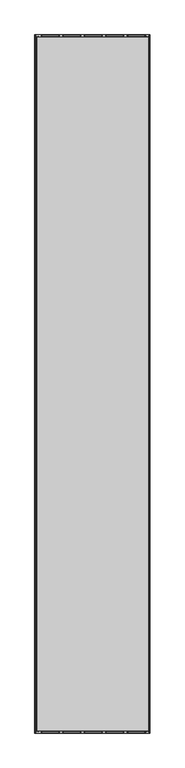
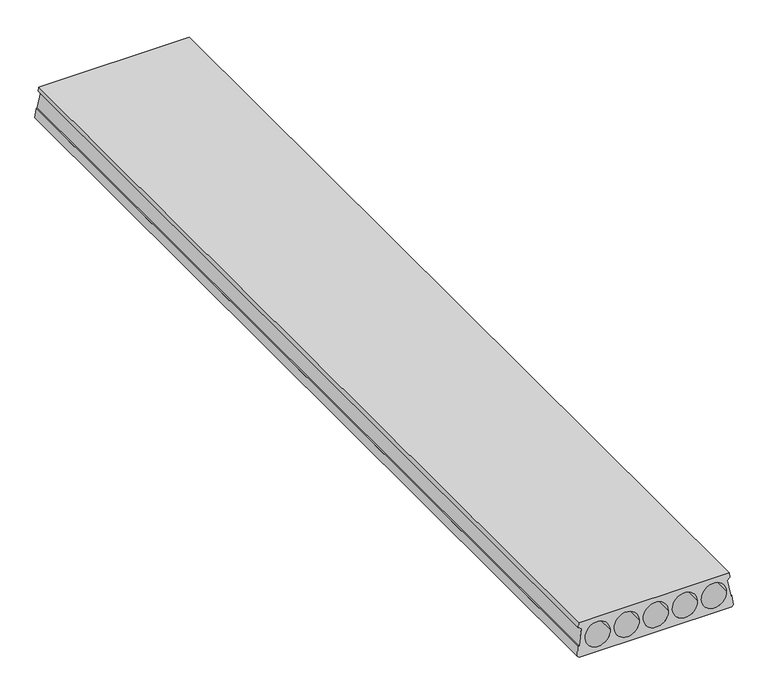
"""IFC4 building model written with IfcOpenShell, lengths in millimetres: beam geometry."""

from ifc_helpers import new_model, si_unit, frame, origin, place, context, project, spatial, polyline, ellipse_curve, source, transform, mapped, element, save
from ifc_brep_helpers import plane_surface, revolved_surface, advanced_brep


def beam_c2dc10d6(model_context):
    return source(origin(), model_context, "Body", "AdvancedBrep", [
        advanced_brep(
        [(10.0, 5980.0, 0.0), (980.0, 5980.0, 0.0), (980.0, 0.0, 0.0), (10.0, 0.0, 0.0), (974.7696772, 15.0, 220.0), (974.7696772, 5965.0, 220.0), (15.0, 5965.0, 220.0), (15.0, 15.0, 220.0), (12.8871596, 12.9831978, 190.4202344), (12.8871596, 5967.0168022, 190.4202344), (15.8795357, 5967.0313755, 190.2064933), (15.8795357, 12.9686245, 190.2064933), (29.9864516, 5967.9203443, 177.1682831), (29.9864516, 12.0796557, 177.1682831), (12.6021714, 5974.9446558, 74.1450488), (12.6021714, 5.0553442, 74.1450488), (7.3298897, 5975.1924012, 70.5114493), (7.3298897, 4.8075988, 70.5114493), (4.3580656, 5975.1582101, 71.0129189), (4.3580656, 4.8417899, 71.0129189), (0.0, 5979.3181818, 10.0), (0.0, 0.6818182, 10.0), (990.0, 5979.3181818, 10.0), (990.0, 0.6818182, 10.0), (985.6391914, 5975.1555917, 71.051321), (985.6391914, 4.8444083, 71.051321), (982.4401418, 5975.1923971, 70.5115091), (982.4401418, 4.8076029, 70.5115091), (977.167566, 5974.9446379, 74.1453113), (977.167566, 5.0553621, 74.1453113), (959.9865416, 5967.9203386, 177.1683675), (959.9865416, 12.0796614, 177.1683675), (973.8901415, 5967.0313755, 190.2064933), (973.8901415, 12.9686245, 190.2064933), (976.8825176, 5967.0168022, 190.4202344), (976.8825176, 12.9831978, 190.4202344), (212.0, 7.4401262, 109.1218503), (212.0, 5972.5598738, 109.1218503), (53.0, 5972.5598738, 109.1218503), (53.0, 7.4401262, 109.1218503), (397.0, 7.4401262, 109.1218503), (397.0, 5972.5598738, 109.1218503), (238.0, 5972.5598738, 109.1218503), (238.0, 7.4401262, 109.1218503), (423.0, 7.4401262, 109.1218503), (582.0, 7.4401262, 109.1218503), (608.0, 7.4401262, 109.1218503), (767.0, 7.4401262, 109.1218503), (793.0, 7.4401262, 109.1218503), (952.0, 7.4401262, 109.1218503), (582.0, 5972.5598738, 109.1218503), (423.0, 5972.5598738, 109.1218503), (767.0, 5972.5598738, 109.1218503), (608.0, 5972.5598738, 109.1218503), (952.0, 5972.5598738, 109.1218503), (793.0, 5972.5598738, 109.1218503)],
        [
            (0, 1),
            (1, 2),
            (2, 3),
            (3, 0),
            (4, 5),
            (5, 6),
            (6, 7),
            (7, 4),
            (8, 9),
            (9, 10),
            (10, 11),
            (11, 8),
            (10, 12),
            (12, 13),
            (13, 11),
            (12, 14),
            (14, 15),
            (15, 13),
            (14, 16),
            (16, 17),
            (17, 15),
            (16, 18),
            (18, 19),
            (19, 17),
            (18, 20),
            (20, 21),
            (21, 19),
            (3, 21),
            (20, 0),
            (1, 22),
            (22, 23),
            (23, 2),
            (22, 24),
            (24, 25),
            (25, 23),
            (24, 26),
            (26, 27),
            (27, 25),
            (26, 28),
            (28, 29),
            (29, 27),
            (28, 30),
            (30, 31),
            (31, 29),
            (30, 32),
            (32, 33),
            (33, 31),
            (32, 34),
            (34, 35),
            (35, 33),
            (34, 5),
            (4, 35),
            (36, 37),
            (37, 38, ellipse_curve(frame((132.5, 5972.5598738, 109.1218503), z_axis=(0.0, 0.9976836926815401, 0.0680238881373752), x_axis=(0.0, 0.06802388813737571, -0.9976836926815402)), 79.684574, 79.5)),
            (38, 39),
            (39, 36, ellipse_curve(frame((132.5, 7.4401262, 109.1218503), z_axis=(0.0, -0.9976836926815401, 0.06802388813737582), x_axis=(0.0, 0.06802388813737509, 0.9976836926815403)), 79.684574, 79.5)),
            (38, 37, ellipse_curve(frame((132.5, 5972.5598738, 109.1218503), z_axis=(0.0, 0.9976836926815401, 0.0680238881373752), x_axis=(0.0, 0.06802388813737571, -0.9976836926815402)), 79.684574, 79.5)),
            (36, 39, ellipse_curve(frame((132.5, 7.4401262, 109.1218503), z_axis=(0.0, -0.9976836926815401, 0.06802388813737582), x_axis=(0.0, 0.06802388813737509, 0.9976836926815403)), 79.684574, 79.5)),
            (40, 41),
            (41, 42, ellipse_curve(frame((317.5, 5972.5598738, 109.1218503), z_axis=(0.0, 0.9976836926815401, 0.0680238881373752), x_axis=(0.0, 0.06802388813737571, -0.9976836926815402)), 79.684574, 79.5)),
            (42, 43),
            (43, 40, ellipse_curve(frame((317.5, 7.4401262, 109.1218503), z_axis=(0.0, -0.9976836926815401, 0.06802388813737582), x_axis=(0.0, 0.06802388813737509, 0.9976836926815403)), 79.684574, 79.5)),
            (42, 41, ellipse_curve(frame((317.5, 5972.5598738, 109.1218503), z_axis=(0.0, 0.9976836926815401, 0.0680238881373752), x_axis=(0.0, 0.06802388813737571, -0.9976836926815402)), 79.684574, 79.5)),
            (40, 43, ellipse_curve(frame((317.5, 7.4401262, 109.1218503), z_axis=(0.0, -0.9976836926815401, 0.06802388813737582), x_axis=(0.0, 0.06802388813737509, 0.9976836926815403)), 79.684574, 79.5)),
            (7, 8),
            (44, 45, ellipse_curve(frame((502.5, 7.4401262, 109.1218503), z_axis=(0.0, 0.9976836926815401, -0.06802388813737582), x_axis=(0.0, 0.06802388813737509, 0.9976836926815403)), 79.684574, 79.5)),
            (45, 44, ellipse_curve(frame((502.5, 7.4401262, 109.1218503), z_axis=(0.0, 0.9976836926815401, -0.06802388813737582), x_axis=(0.0, 0.06802388813737509, 0.9976836926815403)), 79.684574, 79.5)),
            (46, 47, ellipse_curve(frame((687.5, 7.4401262, 109.1218503), z_axis=(0.0, 0.9976836926815401, -0.06802388813737582), x_axis=(0.0, 0.06802388813737509, 0.9976836926815403)), 79.684574, 79.5)),
            (47, 46, ellipse_curve(frame((687.5, 7.4401262, 109.1218503), z_axis=(0.0, 0.9976836926815401, -0.06802388813737582), x_axis=(0.0, 0.06802388813737509, 0.9976836926815403)), 79.684574, 79.5)),
            (48, 49, ellipse_curve(frame((872.5, 7.4401262, 109.1218503), z_axis=(0.0, 0.9976836926815401, -0.06802388813737582), x_axis=(0.0, 0.06802388813737509, 0.9976836926815403)), 79.684574, 79.5)),
            (49, 48, ellipse_curve(frame((872.5, 7.4401262, 109.1218503), z_axis=(0.0, 0.9976836926815401, -0.06802388813737582), x_axis=(0.0, 0.06802388813737509, 0.9976836926815403)), 79.684574, 79.5)),
            (9, 6),
            (50, 51, ellipse_curve(frame((502.5, 5972.5598738, 109.1218503), z_axis=(0.0, -0.9976836926815401, -0.0680238881373752), x_axis=(0.0, 0.06802388813737571, -0.9976836926815402)), 79.684574, 79.5)),
            (51, 50, ellipse_curve(frame((502.5, 5972.5598738, 109.1218503), z_axis=(0.0, -0.9976836926815401, -0.0680238881373752), x_axis=(0.0, 0.06802388813737571, -0.9976836926815402)), 79.684574, 79.5)),
            (52, 53, ellipse_curve(frame((687.5, 5972.5598738, 109.1218503), z_axis=(0.0, -0.9976836926815401, -0.0680238881373752), x_axis=(0.0, 0.06802388813737571, -0.9976836926815402)), 79.684574, 79.5)),
            (53, 52, ellipse_curve(frame((687.5, 5972.5598738, 109.1218503), z_axis=(0.0, -0.9976836926815401, -0.0680238881373752), x_axis=(0.0, 0.06802388813737571, -0.9976836926815402)), 79.684574, 79.5)),
            (54, 55, ellipse_curve(frame((872.5, 5972.5598738, 109.1218503), z_axis=(0.0, -0.9976836926815401, -0.0680238881373752), x_axis=(0.0, 0.06802388813737571, -0.9976836926815402)), 79.684574, 79.5)),
            (55, 54, ellipse_curve(frame((872.5, 5972.5598738, 109.1218503), z_axis=(0.0, -0.9976836926815401, -0.0680238881373752), x_axis=(0.0, 0.06802388813737571, -0.9976836926815402)), 79.684574, 79.5)),
            (45, 50),
            (51, 44),
            (47, 52),
            (53, 46),
            (49, 54),
            (55, 48),
        ],
        [
            plane_surface(frame((10.0, 5980.0, 0.0), z_axis=(0.0, 0.0, -1.0), x_axis=(0.0, -1.0, 0.0))),
            plane_surface(frame((974.7696772, 5980.0, 220.0), z_axis=(0.0, 0.0, 1.0), x_axis=(0.0, -1.0, 0.0))),
            plane_surface(frame((12.8871596, 5980.0, 190.4202344), z_axis=(-0.07124704998790854, 0.0, -0.9974586998307351), x_axis=(0.0, -1.0, 0.0))),
            plane_surface(frame((15.8795357, 5980.0, 190.2064933), z_axis=(-0.6787421090247223, 0.0, -0.7343767081251095), x_axis=(0.0, -1.0, 0.0))),
            plane_surface(frame((29.9864516, 5980.0, 177.1682831), z_axis=(-0.986060169345494, 0.0, 0.16638912954377705), x_axis=(0.0, -1.0, 0.0))),
            plane_surface(frame((12.6021714, 5980.0, 74.1450488), z_axis=(-0.5674729108239465, 0.0, 0.8233920666857298), x_axis=(0.0, -1.0, 0.0))),
            plane_surface(frame((7.3298897, 5980.0, 70.5114493), z_axis=(0.1663891295437833, 0.0, 0.9860601693454929), x_axis=(0.0, -1.0, 0.0))),
            plane_surface(frame((4.3580656, 5980.0, 71.0129189), z_axis=(-0.9974586998307351, 0.0, 0.07124704998791023), x_axis=(0.0, -1.0, 0.0))),
            plane_surface(frame((0.0, 5980.0, 10.0), z_axis=(-0.7071067811865477, 0.0, -0.7071067811865474), x_axis=(0.0, -1.0, 0.0))),
            plane_surface(frame((980.0, 5980.0, 0.0), z_axis=(0.7071067811866516, 0.0, -0.7071067811864434), x_axis=(0.0, -1.0, 0.0))),
            plane_surface(frame((990.0, 5980.0, 10.0), z_axis=(0.9974586998307333, 0.0, 0.07124704998793295), x_axis=(0.0, -1.0, 0.0))),
            plane_surface(frame((985.6391914, 5980.0, 71.051321), z_axis=(-0.16638912954377913, 0.0, 0.9860601693454937), x_axis=(0.0, -1.0, 0.0))),
            plane_surface(frame((982.4401418, 5980.0, 70.5115091), z_axis=(0.5674729108239595, 0.0, 0.8233920666857208), x_axis=(0.0, -1.0, 0.0))),
            plane_surface(frame((977.167566, 5980.0, 74.1453113), z_axis=(0.9863775932866562, 0.0, 0.1644969405856046), x_axis=(0.0, -1.0, 0.0))),
            plane_surface(frame((959.9865416, 5980.0, 177.1683675), z_axis=(0.6840388775846207, 0.0, -0.729445552425109), x_axis=(0.0, -1.0, 0.0))),
            plane_surface(frame((973.8901415, 5980.0, 190.2064933), z_axis=(0.07124704998788721, 0.0, -0.9974586998307367), x_axis=(0.0, -1.0, 0.0))),
            plane_surface(frame((976.8825176, 5980.0, 190.4202344), z_axis=(0.9974586998307368, 0.0, 0.07124704998788531), x_axis=(0.0, -1.0, 0.0))),
            revolved_surface(polyline([(212.0, 5977.9803283480505, 109.1218503), (212.0, 2.0196716519496123, 109.1218503)]), (132.5, 0.0, 109.1218503), (0.0, 1.0, 0.0)),
            revolved_surface(polyline([(397.0, 5977.9803283480505, 109.1218503), (397.0, 2.0196716519496123, 109.1218503)]), (317.5, 0.0, 109.1218503), (0.0, 1.0, 0.0)),
            plane_surface(frame((990.0, 15.0, 220.0), z_axis=(0.0, -0.9976836926815401, 0.06802388813737582), x_axis=(-1.0, 0.0, 0.0))),
            plane_surface(frame((990.0, 5980.0, 0.0), z_axis=(0.0, 0.9976836926815401, 0.0680238881373752), x_axis=(-1.0, 0.0, 0.0))),
            revolved_surface(polyline([(582.0, 5977.9803283480505, 109.1218503), (582.0, 2.0196716519496123, 109.1218503)]), (502.5, 0.0, 109.1218503), (0.0, 1.0, 0.0)),
            plane_surface(frame((15.0, 5980.0, 220.0), z_axis=(-0.997458699830735, 0.0, 0.07124704998791008), x_axis=(0.0, -1.0, 0.0))),
            revolved_surface(polyline([(767.0, 5977.9803283480505, 109.1218503), (767.0, 2.0196716519496123, 109.1218503)]), (687.5, 0.0, 109.1218503), (0.0, 1.0, 0.0)),
            revolved_surface(polyline([(952.0, 5977.9803283480505, 109.1218503), (952.0, 2.0196716519496123, 109.1218503)]), (872.5, 0.0, 109.1218503), (0.0, 1.0, 0.0)),
        ],
        [
            (0, [[1, 2, 3, 4]]),
            (1, [[5, 6, 7, 8]]),
            (2, [[9, 10, 11, 12]]),
            (3, [[-11, 13, 14, 15]]),
            (4, [[-14, 16, 17, 18]]),
            (5, [[-17, 19, 20, 21]]),
            (6, [[-20, 22, 23, 24]]),
            (7, [[-23, 25, 26, 27]]),
            (8, [[28, -26, 29, -4]]),
            (9, [[30, 31, 32, -2]]),
            (10, [[-31, 33, 34, 35]]),
            (11, [[-34, 36, 37, 38]]),
            (12, [[-37, 39, 40, 41]]),
            (13, [[-40, 42, 43, 44]]),
            (14, [[-43, 45, 46, 47]]),
            (15, [[-46, 48, 49, 50]]),
            (16, [[-49, 51, -5, 52]]),
            (17, [[53, 54, 55, 56]]),
            (17, [[-55, 57, -53, 58]]),
            (18, [[59, 60, 61, 62]]),
            (18, [[-61, 63, -59, 64]]),
            (19, [[-32, -35, -38, -41, -44, -47, -50, -52, -8, 65, -12, -15, -18, -21, -24, -27, -28, -3], [-58, -56], [-64, -62], [66, 67], [68, 69], [70, 71]]),
            (20, [[-29, -25, -22, -19, -16, -13, -10, 72, -6, -51, -48, -45, -42, -39, -36, -33, -30, -1], [-57, -54], [-63, -60], [73, 74], [75, 76], [77, 78]]),
            (21, [[-67, 79, -74, 80]]),
            (21, [[-73, -79, -66, -80]]),
            (22, [[-7, -72, -9, -65]]),
            (23, [[-69, 81, -76, 82]]),
            (23, [[-75, -81, -68, -82]]),
            (24, [[-71, 83, -78, 84]]),
            (24, [[-77, -83, -70, -84]]),
        ],
    ),
    ])


if __name__ == "__main__":
    model = new_model("IFC4")
    model_context = context("Model", 3, world=origin())
    ifc_project = project(units=[si_unit("LENGTHUNIT", "METRE", prefix="MILLI")], contexts=[model_context])
    site = spatial("IfcSite", under=ifc_project)
    building = spatial("IfcBuilding", under=site)
    placement = place(None, origin())
    beam_shape = beam_c2dc10d6(model_context)
    element("IfcBeam", 1, at=placement, inside=building, context=model_context, shape_type="MappedRepresentation", body=[
        mapped(beam_shape, transform((0.0, 0.0, 0.0), x_axis=(1.0, 0.0, 0.0), y_axis=(0.0, 1.0, 0.0), z_axis=(0.0, 0.0, 1.0))),
    ])
    save(model, "model.ifc")
